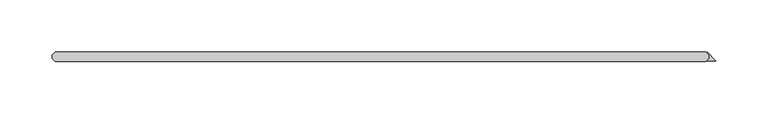
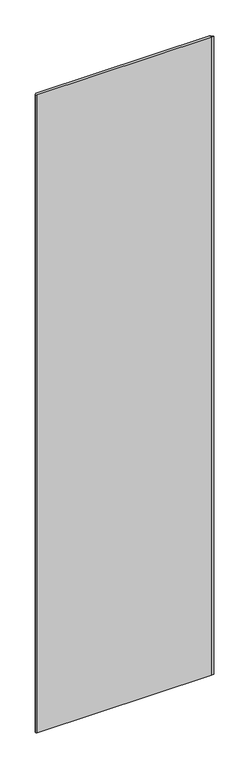
"""IFC4 building model written with IfcOpenShell, lengths in millimetres: plate geometry."""

from ifc_helpers import new_model, si_unit, origin, origin_with_axes, place, context, project, spatial, polyline, outline, extrude, source, transform, mapped, element, save


def plate_6592977a(model_context):
    return source(origin(), model_context, "Body", "SweptSolid", [
        extrude(outline(polyline([(314.393093, -1.5875), (314.393093, 1.5875), (312.011843, 3.96875), (312.573109, 4.530016), (321.071875, -3.96875), (312.011843, -3.96875), (314.393093, -1.5875)])), origin_with_axes(), (0.0, 0.0, 1.0), 2427.1914267),
        extrude(outline(polyline([(311.218093, -4.7625), (-313.928125, -4.7625), (-317.103125, -1.5875), (-317.103125, 1.5875), (-313.928125, 4.7625), (311.218093, 4.7625), (314.393093, 1.5875), (314.393093, -1.5875), (311.218093, -4.7625)])), origin_with_axes(), (0.0, 0.0, 1.0), 2427.1914267),
    ])


if __name__ == "__main__":
    model = new_model("IFC4")
    model_context = context("Model", 3, world=origin())
    ifc_project = project(units=[si_unit("LENGTHUNIT", "METRE", prefix="MILLI")], contexts=[model_context])
    site = spatial("IfcSite", under=ifc_project)
    building = spatial("IfcBuilding", under=site)
    placement = place(None, origin())
    plate_shape = plate_6592977a(model_context)
    element("IfcPlate", 1, at=placement, inside=building, context=model_context, shape_type="MappedRepresentation", body=[
        mapped(plate_shape, transform((0.0, 0.0, 0.0), x_axis=(1.0, 0.0, 0.0), y_axis=(0.0, 1.0, 0.0), z_axis=(0.0, 0.0, 1.0))),
    ])
    save(model, "model.ifc")
